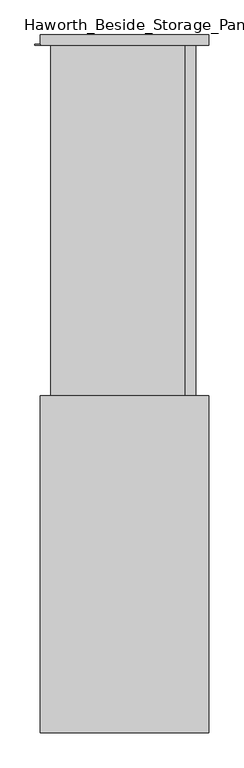
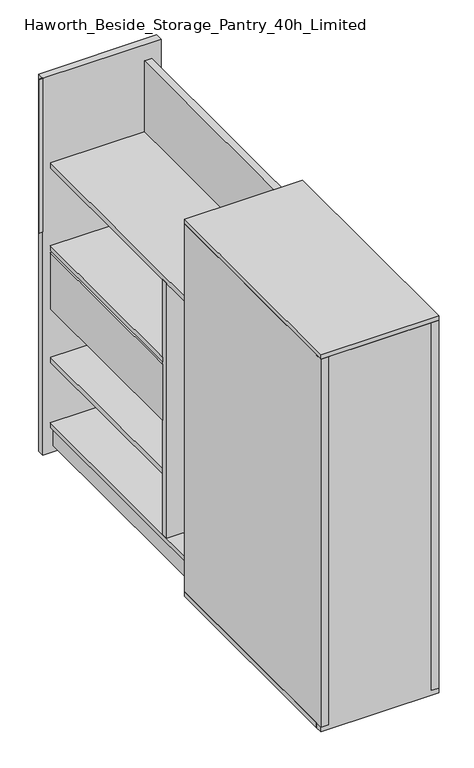
"""IFC4 building model written with IfcOpenShell, lengths in millimetres: furniture geometry, Haworth_Beside_Storage_Pantry_40h_Limited."""

from ifc_helpers import new_model, si_unit, frame, origin, origin_with_axes, place, context, project, spatial, polyline, outline, extrude, source, transform, mapped, element, save


def haworth_beside_storage_pantry_40h_limited_f2ef374d(model_context):
    return source(origin(), model_context, "Body", "SweptSolid", [
        extrude(outline(polyline([(63.9283834, 736.6), (-179.0267264, 736.6), (-179.0267264, 1238.25), (63.9283834, 1238.25), (63.9283834, 736.6)])), frame((0.0, 0.0, 393.8689694), z_axis=(0.0, 0.0, 1.0), x_axis=(1.0, 0.0, 0.0)), (0.0, 0.0, 1.0), 152.4),
        extrude(outline(polyline([(63.9283834, 736.6), (-179.0267264, 736.6), (-179.0267264, 1238.25), (63.9283834, 1238.25), (63.9283834, 736.6)])), frame((0.0, 0.0, 552.6189694), z_axis=(0.0, 0.0, 1.0), x_axis=(1.0, 0.0, 0.0)), (0.0, 0.0, 1.0), 12.7),
        extrude(outline(polyline([(-179.0267264, 717.55), (-179.0267264, 736.6), (63.9283834, 736.6), (63.9283834, 717.55), (-179.0267264, 717.55)])), frame((0.0, 0.0, 82.55), z_axis=(0.0, 0.0, 1.0), x_axis=(1.0, 0.0, 0.0)), (0.0, 0.0, 1.0), 695.8955106),
        extrude(outline(polyline([(-207.9518975, 1238.25), (-207.9518975, 1239.9927284), (-198.0767264, 1239.9927284), (-198.0767264, 1238.25), (-207.9518975, 1238.25)])), frame((0.0, 0.0, 609.6), z_axis=(0.0, 0.0, 1.0), x_axis=(1.0, 0.0, 0.0)), (0.0, 0.0, 1.0), 419.1),
        extrude(outline(polyline([(63.9283834, 520.7), (-179.0267264, 520.7), (-179.0267264, 1238.25), (63.9283834, 1238.25), (63.9283834, 520.7)])), frame((0.0, 0.0, 69.85), z_axis=(0.0, 0.0, 1.0), x_axis=(1.0, 0.0, 0.0)), (0.0, 0.0, 1.0), 12.7),
        extrude(outline(polyline([(63.9283834, 736.6), (-179.0267264, 736.6), (-179.0267264, 1238.25), (63.9283834, 1238.25), (63.9283834, 736.6)])), frame((0.0, 0.0, 247.8189694), z_axis=(0.0, 0.0, 1.0), x_axis=(1.0, 0.0, 0.0)), (0.0, 0.0, 1.0), 12.7),
        extrude(outline(polyline([(63.9283834, 520.7), (-179.0267264, 520.7), (-179.0267264, 1238.25), (63.9283834, 1238.25), (63.9283834, 520.7)])), frame((0.0, 0.0, 778.4455106), z_axis=(0.0, 0.0, 1.0), x_axis=(1.0, 0.0, 0.0)), (0.0, 0.0, 1.0), 12.7),
        extrude(outline(polyline([(-145.6216166, 501.65), (-172.6767264, 501.65), (-172.6767264, 1238.25), (-145.6216166, 1238.25), (-145.6216166, 501.65)])), frame((0.0, 0.0, 19.05), z_axis=(0.0, 0.0, 1.0), x_axis=(1.0, 0.0, 0.0)), (0.0, 0.0, 1.0), 50.8),
        extrude(outline(polyline([(-179.0267264, 501.65), (-179.0267264, 520.7), (63.9283834, 520.7), (63.9283834, 501.65), (-179.0267264, 501.65)])), frame((0.0, 0.0, 12.7), z_axis=(0.0, 0.0, 1.0), x_axis=(1.0, 0.0, 0.0)), (0.0, 0.0, 1.0), 971.55),
        extrude(outline(polyline([(82.9783834, 501.65), (63.9283834, 501.65), (63.9283834, 1238.25), (82.9783834, 1238.25), (82.9783834, 501.65)])), frame((0.0, 0.0, 19.05), z_axis=(0.0, 0.0, 1.0), x_axis=(1.0, 0.0, 0.0)), (0.0, 0.0, 1.0), 965.2),
        extrude(outline(polyline([(87.6732736, 13.9628587), (-198.0767264, 13.9628587), (-198.0767264, 604.5128587), (87.6732736, 604.5128587), (87.6732736, 13.9628587)])), origin_with_axes(), (0.0, 0.0, 1.0), 12.7),
        extrude(outline(polyline([(106.7232736, 1257.3), (106.7232736, 1238.25), (-198.0767264, 1238.25), (-198.0767264, 1257.3), (106.7232736, 1257.3)])), origin_with_axes(), (0.0, 0.0, 1.0), 1028.7),
        extrude(outline(polyline([(-198.0767264, 604.5128587), (-179.0267264, 604.5128587), (-179.0267264, -5.0871413), (-198.0767264, -5.0871413), (-198.0767264, 604.5128587)])), frame((0.0, 0.0, 12.7), z_axis=(0.0, 0.0, 1.0), x_axis=(1.0, 0.0, 0.0)), (0.0, 0.0, 1.0), 1003.3),
        extrude(outline(polyline([(106.7232736, 604.5128587), (106.7232736, -5.0871413), (87.6732736, -5.0871413), (87.6732736, 604.5128587), (106.7232736, 604.5128587)])), frame((0.0, 0.0, 12.7), z_axis=(0.0, 0.0, 1.0), x_axis=(1.0, 0.0, 0.0)), (0.0, 0.0, 1.0), 1003.3),
        extrude(outline(polyline([(106.7232736, -5.0871413), (-198.0767264, -5.0871413), (-198.0767264, 13.9628587), (106.7232736, 13.9628587), (106.7232736, -5.0871413)])), origin_with_axes(), (0.0, 0.0, 1.0), 1016.0),
        extrude(outline(polyline([(106.7232736, -5.0871413), (-198.0767264, -5.0871413), (-198.0767264, 604.5128587), (106.7232736, 604.5128587), (106.7232736, -5.0871413)])), frame((0.0, 0.0, 1016.0), z_axis=(0.0, 0.0, 1.0), x_axis=(1.0, 0.0, 0.0)), (0.0, 0.0, 1.0), 12.7),
    ])


if __name__ == "__main__":
    model = new_model("IFC4")
    model_context = context("Model", 3, world=origin())
    ifc_project = project(units=[si_unit("LENGTHUNIT", "METRE", prefix="MILLI")], contexts=[model_context])
    site = spatial("IfcSite", under=ifc_project)
    building = spatial("IfcBuilding", under=site)
    placement = place(None, origin())
    haworth_beside_storage_pantry_40h_limited_shape = haworth_beside_storage_pantry_40h_limited_f2ef374d(model_context)
    element("IfcFurniture", 1, ObjectType="Haworth_Beside_Storage_Pantry_40h_Limited", at=placement, inside=building, context=model_context, shape_type="MappedRepresentation", body=[
        mapped(haworth_beside_storage_pantry_40h_limited_shape, transform((0.0, 0.0, 0.0), x_axis=(1.0, 0.0, 0.0), y_axis=(0.0, 1.0, 0.0), z_axis=(0.0, 0.0, 1.0))),
    ])
    save(model, "model.ifc")
